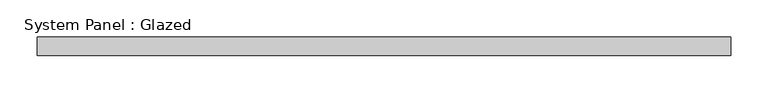
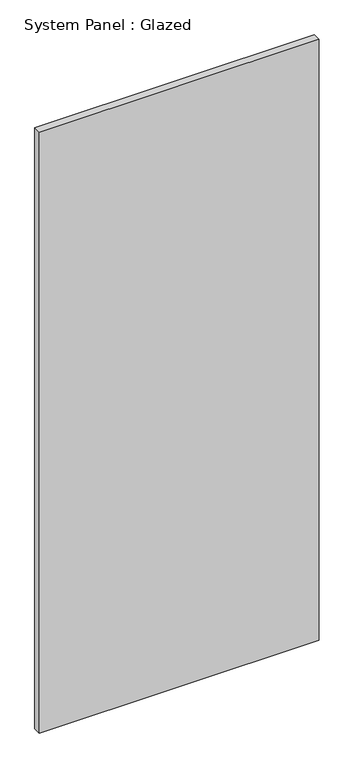
"""IFC4 building model written with IfcOpenShell, lengths in millimetres: plate geometry, System Panel : Glazed."""

from ifc_helpers import new_model, si_unit, origin, origin_with_axes, place, context, project, spatial, polyline, outline, extrude, source, transform, mapped, element, save


def system_panel_glazed_cb8a2cc8(model_context):
    return source(origin(), model_context, "Body", "SweptSolid", [
        extrude(outline(polyline([(468.25, 19.05), (-468.25, 19.05), (-468.25, 44.45), (468.25, 44.45), (468.25, 19.05)])), origin_with_axes(), (0.0, 0.0, 1.0), 2124.75),
    ])


if __name__ == "__main__":
    model = new_model("IFC4")
    model_context = context("Model", 3, world=origin())
    ifc_project = project(units=[si_unit("LENGTHUNIT", "METRE", prefix="MILLI")], contexts=[model_context])
    site = spatial("IfcSite", under=ifc_project)
    building = spatial("IfcBuilding", under=site)
    placement = place(None, origin())
    system_panel_glazed_shape = system_panel_glazed_cb8a2cc8(model_context)
    element("IfcPlate", 1, ObjectType="System Panel : Glazed", at=placement, inside=building, context=model_context, shape_type="MappedRepresentation", body=[
        mapped(system_panel_glazed_shape, transform((0.0, 0.0, 0.0), x_axis=(1.0, 0.0, 0.0), y_axis=(0.0, 1.0, 0.0), z_axis=(0.0, 0.0, 1.0))),
    ])
    save(model, "model.ifc")
